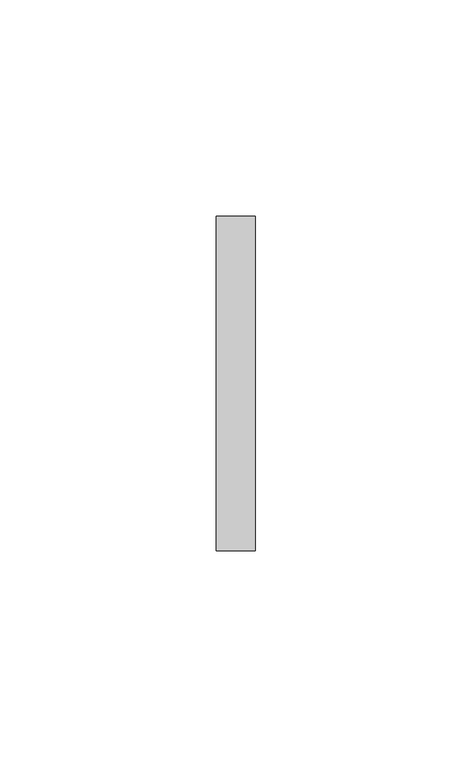
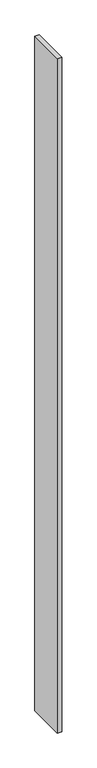
"""IFC4 building model written with IfcOpenShell, lengths in millimetres: furniture geometry."""

from ifc_helpers import new_model, si_unit, frame, origin, place, context, project, spatial, polyline, outline, extrude, source, transform, mapped, element, save


def furniture_c0734c29(model_context):
    return source(origin(), model_context, "Body", "SweptSolid", [
        extrude(outline(polyline([(5.5434607, 38.6537944), (5.5434607, -38.8360494), (-3.5846643, -38.8360494), (-3.5846643, 38.6537944), (5.5434607, 38.6537944)])), frame((0.0, 0.0, 14.2875), z_axis=(0.0, 0.0, 1.0), x_axis=(1.0, 0.0, 0.0)), (0.0, 0.0, 1.0), 1422.4635),
    ])


if __name__ == "__main__":
    model = new_model("IFC4")
    model_context = context("Model", 3, world=origin())
    ifc_project = project(units=[si_unit("LENGTHUNIT", "METRE", prefix="MILLI")], contexts=[model_context])
    site = spatial("IfcSite", under=ifc_project)
    building = spatial("IfcBuilding", under=site)
    placement = place(None, origin())
    furniture_shape = furniture_c0734c29(model_context)
    element("IfcFurniture", 1, at=placement, inside=building, context=model_context, shape_type="MappedRepresentation", body=[
        mapped(furniture_shape, transform((0.0, 0.0, 0.0), x_axis=(1.0, 0.0, 0.0), y_axis=(0.0, 1.0, 0.0), z_axis=(0.0, 0.0, 1.0))),
    ])
    save(model, "model.ifc")
